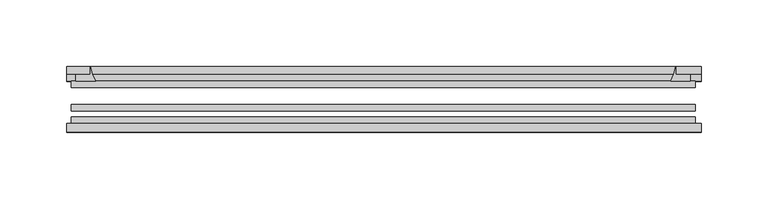
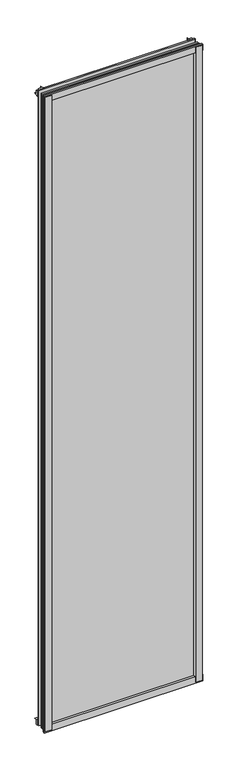
"""IFC4 building model written with IfcOpenShell, lengths in millimetres: plate geometry."""

from ifc_helpers import new_model, si_unit, point, frame, frame_2d, origin, place, context, project, spatial, polyline, circle_curve, trimmed, segment, composite_curve, outline, extrude, source, transform, mapped, element, save


def plate_bfa92948(model_context):
    return source(origin(), model_context, "Body", "SweptSolid", [
        extrude(outline(composite_curve([segment(polyline([(-233.3625, -78.7828625), (-211.9412987, -78.7828625)]), True, "CONTINUOUS"), segment(trimmed(circle_curve(frame_2d((-204.3041331, -84.652782)), 9.6323545), [point((-211.9412987, -78.7828625))], [point((-213.9245165, -85.1328625))], True, "CARTESIAN"), True, "CONTINUOUS"), segment(polyline([(-213.9245165, -85.1328625), (-233.3625, -85.1328625), (-233.3625, -78.7828625)]), True, "CONTINUOUS")], self_intersect=False)), frame((0.0, 0.0, -14.2875), z_axis=(0.0, 0.0, 1.0), x_axis=(1.0, 0.0, 0.0)), (0.0, 0.0, 1.0), 2009.775),
        extrude(outline(composite_curve([segment(polyline([(235.9444065, -78.7828625), (235.9444065, -85.1328625), (216.4645165, -85.1328625)]), True, "CONTINUOUS"), segment(trimmed(circle_curve(frame_2d((206.8441331, -84.652782)), 9.6323545), [point((216.4645165, -85.1328625))], [point((214.4812987, -78.7828625))], True, "CARTESIAN"), True, "CONTINUOUS"), segment(polyline([(214.4812987, -78.7828625), (235.9444065, -78.7828625)]), True, "CONTINUOUS")], self_intersect=False)), frame((0.0, 0.0, -14.2875), z_axis=(0.0, 0.0, 1.0), x_axis=(1.0, 0.0, 0.0)), (0.0, 0.0, 1.0), 2009.775),
        extrude(outline(composite_curve([segment(polyline([(-47.1852625, -14.2875), (-47.1852625, 3.9588469)]), True, "CONTINUOUS"), segment(trimmed(circle_curve(frame_2d((-30.6824422, 32.267054)), 32.7673262), [point((-47.1852625, 3.9588469))], [point((-36.3503395, -0.00635))], True, "CARTESIAN"), True, "CONTINUOUS"), segment(polyline([(-36.3503395, -0.00635), (-42.2830625, -0.00635), (-42.2830625, -14.2875), (-47.1852625, -14.2875)]), True, "CONTINUOUS")], self_intersect=False)), frame((-236.5375, 0.0, 0.0), z_axis=(1.0, 0.0, 0.0), x_axis=(0.0, 1.0, 0.0)), (0.0, 0.0, 1.0), 474.4640625),
        extrude(outline(composite_curve([segment(polyline([(-78.7828625, -16.8821065), (-85.1328625, -16.8821065), (-85.1328625, 2.5977835)]), True, "CONTINUOUS"), segment(trimmed(circle_curve(frame_2d((-84.652782, 12.2181669)), 9.6323545), [point((-85.1328625, 2.5977835))], [point((-78.7828625, 4.5810013))], True, "CARTESIAN"), True, "CONTINUOUS"), segment(polyline([(-78.7828625, 4.5810013), (-78.7828625, -16.8821065)]), True, "CONTINUOUS")], self_intersect=False)), frame((-236.5375, 0.0, 0.0), z_axis=(1.0, 0.0, 0.0), x_axis=(0.0, 1.0, 0.0)), (0.0, 0.0, 1.0), 474.4640625),
        extrude(outline(composite_curve([segment(polyline([(-47.1852625, 1977.2284531), (-47.1852625, 1991.9002564), (-42.2830625, 1991.9002564), (-42.2830625, 1981.2), (-36.3140625, 1981.2)]), True, "CONTINUOUS"), segment(trimmed(circle_curve(frame_2d((-30.6824422, 1948.920246)), 32.7673262), [point((-36.3140625, 1981.2))], [point((-47.1852625, 1977.2284531))], True, "CARTESIAN"), True, "CONTINUOUS")], self_intersect=False)), frame((-236.5375, 0.0, 0.0), z_axis=(1.0, 0.0, 0.0), x_axis=(0.0, 1.0, 0.0)), (0.0, 0.0, 1.0), 474.4640625),
        extrude(outline(composite_curve([segment(polyline([(-78.7828625, 1998.0694065), (-78.7828625, 1976.6062987)]), True, "CONTINUOUS"), segment(trimmed(circle_curve(frame_2d((-84.652782, 1968.9691331)), 9.6323545), [point((-78.7828625, 1976.6062987))], [point((-85.1328625, 1978.5895165))], True, "CARTESIAN"), True, "CONTINUOUS"), segment(polyline([(-85.1328625, 1978.5895165), (-85.1328625, 1998.0694065), (-78.7828625, 1998.0694065)]), True, "CONTINUOUS")], self_intersect=False)), frame((-236.5375, 0.0, 0.0), z_axis=(1.0, 0.0, 0.0), x_axis=(0.0, 1.0, 0.0)), (0.0, 0.0, 1.0), 474.4640625),
        extrude(outline(composite_curve([segment(trimmed(circle_curve(frame_2d((186.795246, -30.6824422)), 32.7673262), [point((215.1034531, -47.1852625))], [point((219.075, -36.3140625))], True, "CARTESIAN"), True, "CONTINUOUS"), segment(polyline([(219.075, -36.3140625), (219.075, -42.2830625), (229.7753653, -42.2830625), (229.7753653, -47.1852625), (215.1034531, -47.1852625)]), True, "CONTINUOUS")], self_intersect=False)), frame((0.0, 0.0, -14.2875), z_axis=(0.0, 0.0, 1.0), x_axis=(1.0, 0.0, 0.0)), (0.0, 0.0, 1.0), 2009.775),
        extrude(outline(composite_curve([segment(polyline([(-215.1034531, -47.1852625), (-229.7702092, -47.1852625), (-229.7702092, -42.2830625), (-219.075, -42.2830625), (-219.075, -36.3140625)]), True, "CONTINUOUS"), segment(trimmed(circle_curve(frame_2d((-186.795246, -30.6824422)), 32.7673262), [point((-219.075, -36.3140625))], [point((-215.1034531, -47.1852625))], True, "CARTESIAN"), True, "CONTINUOUS")], self_intersect=False)), frame((0.0, 0.0, -14.2875), z_axis=(0.0, 0.0, 1.0), x_axis=(1.0, 0.0, 0.0)), (0.0, 0.0, 1.0), 2009.775),
        extrude(outline(polyline([(233.3625, -64.6604625), (233.3625, -69.4356625), (-233.3625, -69.4356625), (-233.3625, -64.6604625), (233.3625, -64.6604625)])), frame((0.0, 0.0, -14.2875), z_axis=(0.0, 0.0, 1.0), x_axis=(1.0, 0.0, 0.0)), (0.0, 0.0, 1.0), 2009.775),
        extrude(outline(polyline([(-233.3625, -78.7828625), (-233.3625, -74.0076625), (233.3625, -74.0076625), (233.3625, -78.7828625), (-233.3625, -78.7828625)])), frame((0.0, 0.0, -14.2875), z_axis=(0.0, 0.0, 1.0), x_axis=(1.0, 0.0, 0.0)), (0.0, 0.0, 1.0), 2009.775),
        extrude(outline(polyline([(-233.3625, -47.1852625), (233.3625, -47.1852625), (233.3625, -51.9604625), (-233.3625, -51.9604625), (-233.3625, -47.1852625)])), frame((0.0, 0.0, -14.2875), z_axis=(0.0, 0.0, 1.0), x_axis=(1.0, 0.0, 0.0)), (0.0, 0.0, 1.0), 2009.775),
    ])


if __name__ == "__main__":
    model = new_model("IFC4")
    model_context = context("Model", 3, world=origin())
    ifc_project = project(units=[si_unit("LENGTHUNIT", "METRE", prefix="MILLI")], contexts=[model_context])
    site = spatial("IfcSite", under=ifc_project)
    building = spatial("IfcBuilding", under=site)
    placement = place(None, origin())
    plate_shape = plate_bfa92948(model_context)
    element("IfcPlate", 1, at=placement, inside=building, context=model_context, shape_type="MappedRepresentation", body=[
        mapped(plate_shape, transform((0.0, 0.0, 0.0), x_axis=(1.0, 0.0, 0.0), y_axis=(0.0, 1.0, 0.0), z_axis=(0.0, 0.0, 1.0))),
    ])
    save(model, "model.ifc")
